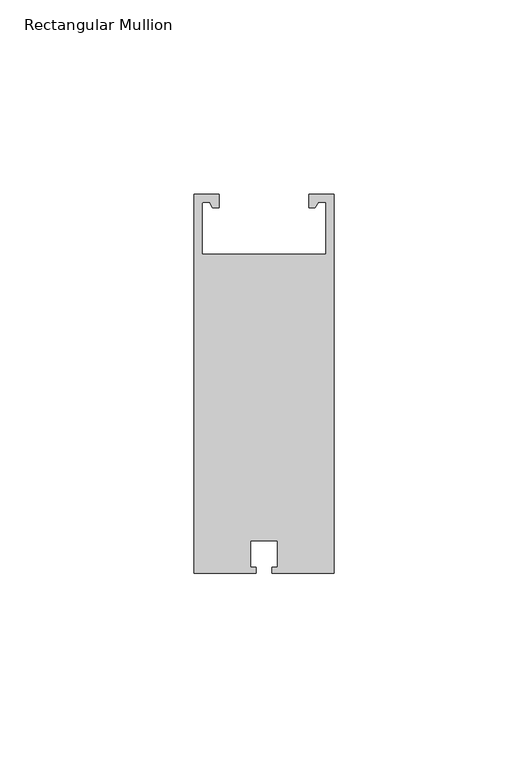
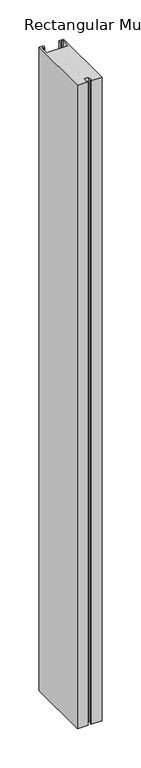
"""IFC4 building model written with IfcOpenShell, lengths in millimetres: member geometry, Rectangular Mullion."""

import ifcopenshell
import ifcopenshell.guid

model = None  # the IFC model being written
_history = None  # IfcOwnerHistory: only IFC2X3 demands one
_inside = {}  # id of a spatial element -> (the spatial element, [elements in it])
_under = {}  # id of a project, library or spatial element -> (it, [spatial elements below it])
_declared = {}  # id of a project -> (the project, [libraries it declares])
_typed = {}  # id of a type object -> (the type object, [elements of that type])
_made_of = {}  # id of a material, layer set ... -> (it, [elements and type objects made of it])


def new_model(schema):
    """Start an empty IFC model of exactly this schema.

    Asked for "IFC4X3", IfcOpenShell would pick the latest addendum, in which some entities
    have other attributes; the version numbers below select the first issue.
    IFC2X3 requires an IfcOwnerHistory on every rooted entity: one is made here for all.
    """
    global model, _history
    if schema == "IFC4X3":
        model = ifcopenshell.file(schema_version=(4, 3, 0, 0))
    else:
        model = ifcopenshell.file(schema=schema)
    _inside.clear()
    _under.clear()
    _declared.clear()
    _typed.clear()
    _made_of.clear()
    _history = None
    if model.schema == "IFC2X3":
        org = make("IfcOrganization", Name="unknown")
        user = make(
            "IfcPersonAndOrganization",
            ThePerson=make("IfcPerson", FamilyName="unknown"),
            TheOrganization=org,
        )
        app = make(
            "IfcApplication",
            ApplicationDeveloper=org,
            Version="unknown",
            ApplicationFullName="unknown",
            ApplicationIdentifier="unknown",
        )
        _history = make(
            "IfcOwnerHistory",
            OwningUser=user,
            OwningApplication=app,
            ChangeAction="ADDED",
            CreationDate=0,
        )
    return model


def make(cls, **values):
    """One entity of the class cls with the attributes given. An attribute that is None is left unset."""
    return model.create_entity(
        cls, **{name: value for name, value in values.items() if value is not None}
    )


def rooted(cls, **values):
    """An entity with a GlobalId (a new one), such as an element, a storey or a relation."""
    return make(cls, GlobalId=ifcopenshell.guid.new(), OwnerHistory=_history, **values)


def si_unit(unit_type, name, prefix=None):
    """IfcSIUnit, for example si_unit("LENGTHUNIT", "METRE", prefix="MILLI")."""
    return make("IfcSIUnit", UnitType=unit_type, Prefix=prefix, Name=name)


def assignment(units):
    """IfcUnitAssignment: the units of a project."""
    return None if units is None else make("IfcUnitAssignment", Units=units)


def point(xyz):
    """IfcCartesianPoint."""
    return None if xyz is None else make("IfcCartesianPoint", Coordinates=xyz)


def direction(xyz):
    """IfcDirection."""
    return None if xyz is None else make("IfcDirection", DirectionRatios=xyz)


def frame(location, z_axis=None, x_axis=None):
    """IfcAxis2Placement3D, a coordinate frame: its origin and axes. An axis left out is left unset."""
    return make(
        "IfcAxis2Placement3D",
        Location=point(location),
        Axis=direction(z_axis),
        RefDirection=direction(x_axis),
    )


def frame_2d(location, x_axis=None):
    """IfcAxis2Placement2D, a coordinate frame in the plane: its origin and x axis."""
    return make(
        "IfcAxis2Placement2D", Location=point(location), RefDirection=direction(x_axis)
    )


def origin():
    """The frame at (0, 0, 0) with its axes left unset."""
    return frame((0.0, 0.0, 0.0))


def place(relative_to, where):
    """IfcLocalPlacement: puts the frame where relative to a parent placement (None: the world)."""
    return make(
        "IfcLocalPlacement", PlacementRelTo=relative_to, RelativePlacement=where
    )


def context(
    kind, dimensions, precision=None, world=None, true_north=None, identifier=None
):
    """IfcGeometricRepresentationContext, for example the 3D "Model" context."""
    return make(
        "IfcGeometricRepresentationContext",
        ContextIdentifier=identifier,
        ContextType=kind,
        CoordinateSpaceDimension=dimensions,
        Precision=precision,
        WorldCoordinateSystem=world,
        TrueNorth=true_north,
    )


def project(units=None, contexts=None):
    """IfcProject with its units and contexts."""
    return rooted(
        "IfcProject",
        Name="project",
        RepresentationContexts=contexts,
        UnitsInContext=assignment(units),
    )


def spatial(cls, under=None, at=None, **own):
    """A site, building, storey or space (cls), placed at a placement, below another one or the project."""
    s = rooted(cls, ObjectPlacement=at, **own)
    if under is not None:
        _under.setdefault(under.id(), (under, []))[1].append(s)
    return s


def polyline(points):
    """IfcPolyline through the points."""
    return make("IfcPolyline", Points=[point(p) for p in points])


def circle_curve(where, radius):
    """IfcCircle in the frame where."""
    return make("IfcCircle", Position=where, Radius=radius)


def trimmed(basis, trim1, trim2, sense, master):
    """IfcTrimmedCurve: the piece of a basis curve between two trims."""
    return make(
        "IfcTrimmedCurve",
        BasisCurve=basis,
        Trim1=trim1,
        Trim2=trim2,
        SenseAgreement=sense,
        MasterRepresentation=master,
    )


def segment(curve, same_sense, transition):
    """IfcCompositeCurveSegment."""
    return make(
        "IfcCompositeCurveSegment",
        Transition=transition,
        SameSense=same_sense,
        ParentCurve=curve,
    )


def composite_curve(segments, self_intersect=None):
    """IfcCompositeCurve: segments joined end to end."""
    return make("IfcCompositeCurve", Segments=segments, SelfIntersect=self_intersect)


def outline(outer, holes=None, kind="AREA"):
    """IfcArbitraryClosedProfileDef: a profile drawn as a closed curve; with holes, ...WithVoids."""
    if holes is None:
        return make("IfcArbitraryClosedProfileDef", ProfileType=kind, OuterCurve=outer)
    return make(
        "IfcArbitraryProfileDefWithVoids",
        ProfileType=kind,
        OuterCurve=outer,
        InnerCurves=holes,
    )


def extrude(swept, where, along, depth):
    """IfcExtrudedAreaSolid: the profile swept, set in the frame where, extruded along a direction by depth."""
    return make(
        "IfcExtrudedAreaSolid",
        SweptArea=swept,
        Position=where,
        ExtrudedDirection=direction(along),
        Depth=depth,
    )


def shape(context_of_items, identifier, shape_type, items):
    """IfcShapeRepresentation: the items that make up one representation, for example the "Body"."""
    return make(
        "IfcShapeRepresentation",
        ContextOfItems=context_of_items,
        RepresentationIdentifier=identifier,
        RepresentationType=shape_type,
        Items=items,
    )


def source(mapping_origin, context_of_items, identifier, shape_type, items):
    """IfcRepresentationMap: a shape defined once, which mapped items show again and again."""
    return make(
        "IfcRepresentationMap",
        MappingOrigin=mapping_origin,
        MappedRepresentation=shape(context_of_items, identifier, shape_type, items),
    )


def transform(
    local_origin,
    x_axis=None,
    y_axis=None,
    z_axis=None,
    scale=None,
    scale2=None,
    scale3=None,
    uniform=True,
):
    """IfcCartesianTransformationOperator3D, or its non-uniform kind. x_axis, y_axis, z_axis: its Axis1, 2, 3."""
    if uniform:
        return make(
            "IfcCartesianTransformationOperator3D",
            Axis1=direction(x_axis),
            Axis2=direction(y_axis),
            LocalOrigin=point(local_origin),
            Scale=scale,
            Axis3=direction(z_axis),
        )
    return make(
        "IfcCartesianTransformationOperator3DnonUniform",
        Axis1=direction(x_axis),
        Axis2=direction(y_axis),
        LocalOrigin=point(local_origin),
        Scale=scale,
        Axis3=direction(z_axis),
        Scale2=scale2,
        Scale3=scale3,
    )


def mapped(mapping_source, mapping_target):
    """IfcMappedItem: shows the shape of a source again, moved by a transform."""
    return make(
        "IfcMappedItem", MappingSource=mapping_source, MappingTarget=mapping_target
    )


def made_of(thing, what):
    """Note that an element or type object is made of a material, layer set ...; save() writes the relation."""
    if what is not None:
        _made_of.setdefault(what.id(), (what, []))[1].append(thing)
    return thing


def element(
    cls,
    number,
    at=None,
    inside=None,
    cuts=None,
    type_object=None,
    material=None,
    context=None,
    identifier="Body",
    shape_type=None,
    held_by="IfcProductDefinitionShape",
    body=None,
    shapes=None,
    **own,
):
    """One element of the class cls, such as IfcWall. Its Tag is "e" and its number.

    at: its placement. inside: the storey or other place that contains it. cuts: it is an
    opening in that element (IfcRelVoidsElement). A single representation is given by context,
    identifier, shape_type and body (its items); several are given by shapes. held_by: the class
    of the entity that holds the representations. save() writes the other relations.
    """
    e = rooted(cls, Tag="e%d" % number, ObjectPlacement=at, **own)
    if body is not None:
        shapes = [shape(context, identifier, shape_type, body)]
    if shapes is not None:
        e.Representation = make(held_by, Representations=shapes)
    if inside is not None:
        _inside.setdefault(inside.id(), (inside, []))[1].append(e)
    if cuts is not None:
        rooted(
            "IfcRelVoidsElement", RelatingBuildingElement=cuts, RelatedOpeningElement=e
        )
    if type_object is not None:
        _typed.setdefault(type_object.id(), (type_object, []))[1].append(e)
    return made_of(e, material)


def aggregate(whole, parts):
    """IfcRelAggregates: a whole, such as a stair, and the parts it consists of."""
    return rooted("IfcRelAggregates", RelatingObject=whole, RelatedObjects=parts)


def save(model, path):
    """Write the relations noted so far, then the file.

    IfcRelAggregates (storeys below a building ...), IfcRelContainedInSpatialStructure (elements
    in a storey), IfcRelDefinesByType, IfcRelAssociatesMaterial and IfcRelDeclares: one each for
    every whole, place, type object, material and project.
    """
    for whole, parts in _under.values():
        aggregate(whole, parts)
    for where, things in _inside.values():
        rooted(
            "IfcRelContainedInSpatialStructure",
            RelatedElements=things,
            RelatingStructure=where,
        )
    for kind, things in _typed.values():
        rooted("IfcRelDefinesByType", RelatedObjects=things, RelatingType=kind)
    for what, things in _made_of.values():
        rooted("IfcRelAssociatesMaterial", RelatedObjects=things, RelatingMaterial=what)
    for by, libraries in _declared.values():
        rooted("IfcRelDeclares", RelatingContext=by, RelatedDefinitions=libraries)
    model.write(path)


def rectangular_mullion_c951ecc8(model_context):
    return source(origin(), model_context, "Body", "SweptSolid", [
        extrude(outline(composite_curve([segment(polyline([(-16.0, 94.964423), (-16.0, 82.064423), (16.0, 82.064423), (16.0, 95.564423), (14.0, 95.564423), (13.1793884, 94.143082), (11.6, 94.143082), (11.6, 97.564423), (18.0, 97.564423), (18.0, 0.064423), (2.05, 0.064423), (2.05, 1.564423), (3.5, 1.564423), (3.5, 8.364423), (-3.5, 8.364423), (-3.5, 1.564423), (-2.05, 1.564423), (-2.05, 0.064423), (-18.0, 0.064423), (-18.0, 97.564423), (-11.6, 97.564423), (-11.6, 94.143082), (-13.1793884, 94.143082), (-14.0, 95.564423), (-15.4, 95.564423)]), True, "CONTINUOUS"), segment(trimmed(circle_curve(frame_2d((-15.4, 94.964423)), 0.6), [point((-15.4, 95.564423))], [point((-16.0, 94.964423))], True, "CARTESIAN"), True, "CONTINUOUS")], self_intersect=False)), frame((0.0, 0.0, -1000.0), z_axis=(0.0, 0.0, 1.0), x_axis=(1.0, 0.0, 0.0)), (0.0, 0.0, 1.0), 1000.0),
    ])


if __name__ == "__main__":
    model = new_model("IFC4")
    model_context = context("Model", 3, world=origin())
    ifc_project = project(units=[si_unit("LENGTHUNIT", "METRE", prefix="MILLI")], contexts=[model_context])
    site = spatial("IfcSite", under=ifc_project)
    building = spatial("IfcBuilding", under=site)
    placement = place(None, origin())
    rectangular_mullion_shape = rectangular_mullion_c951ecc8(model_context)
    element("IfcMember", 1, ObjectType="Rectangular Mullion", at=placement, inside=building, context=model_context, shape_type="MappedRepresentation", body=[
        mapped(rectangular_mullion_shape, transform((0.0, 0.0, 0.0), x_axis=(1.0, 0.0, 0.0), y_axis=(0.0, 1.0, 0.0), z_axis=(0.0, 0.0, 1.0))),
    ])
    save(model, "model.ifc")
